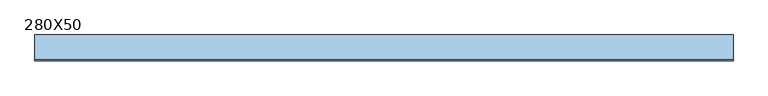
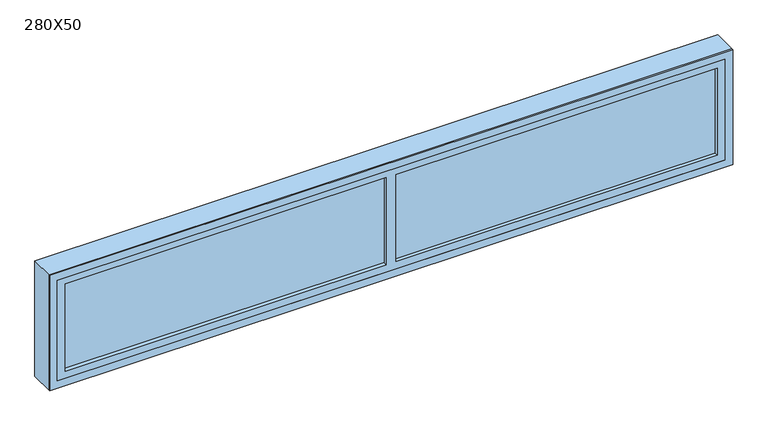
"""IFC4 building model written with IfcOpenShell, lengths in millimetres: window geometry, 280X50."""

import ifcopenshell
import ifcopenshell.guid

model = None  # the IFC model being written
_history = None  # IfcOwnerHistory: only IFC2X3 demands one
_inside = {}  # id of a spatial element -> (the spatial element, [elements in it])
_under = {}  # id of a project, library or spatial element -> (it, [spatial elements below it])
_declared = {}  # id of a project -> (the project, [libraries it declares])
_typed = {}  # id of a type object -> (the type object, [elements of that type])
_made_of = {}  # id of a material, layer set ... -> (it, [elements and type objects made of it])


def new_model(schema):
    """Start an empty IFC model of exactly this schema.

    Asked for "IFC4X3", IfcOpenShell would pick the latest addendum, in which some entities
    have other attributes; the version numbers below select the first issue.
    IFC2X3 requires an IfcOwnerHistory on every rooted entity: one is made here for all.
    """
    global model, _history
    if schema == "IFC4X3":
        model = ifcopenshell.file(schema_version=(4, 3, 0, 0))
    else:
        model = ifcopenshell.file(schema=schema)
    _inside.clear()
    _under.clear()
    _declared.clear()
    _typed.clear()
    _made_of.clear()
    _history = None
    if model.schema == "IFC2X3":
        org = make("IfcOrganization", Name="unknown")
        user = make(
            "IfcPersonAndOrganization",
            ThePerson=make("IfcPerson", FamilyName="unknown"),
            TheOrganization=org,
        )
        app = make(
            "IfcApplication",
            ApplicationDeveloper=org,
            Version="unknown",
            ApplicationFullName="unknown",
            ApplicationIdentifier="unknown",
        )
        _history = make(
            "IfcOwnerHistory",
            OwningUser=user,
            OwningApplication=app,
            ChangeAction="ADDED",
            CreationDate=0,
        )
    return model


def make(cls, **values):
    """One entity of the class cls with the attributes given. An attribute that is None is left unset."""
    return model.create_entity(
        cls, **{name: value for name, value in values.items() if value is not None}
    )


def rooted(cls, **values):
    """An entity with a GlobalId (a new one), such as an element, a storey or a relation."""
    return make(cls, GlobalId=ifcopenshell.guid.new(), OwnerHistory=_history, **values)


def si_unit(unit_type, name, prefix=None):
    """IfcSIUnit, for example si_unit("LENGTHUNIT", "METRE", prefix="MILLI")."""
    return make("IfcSIUnit", UnitType=unit_type, Prefix=prefix, Name=name)


def assignment(units):
    """IfcUnitAssignment: the units of a project."""
    return None if units is None else make("IfcUnitAssignment", Units=units)


def point(xyz):
    """IfcCartesianPoint."""
    return None if xyz is None else make("IfcCartesianPoint", Coordinates=xyz)


def direction(xyz):
    """IfcDirection."""
    return None if xyz is None else make("IfcDirection", DirectionRatios=xyz)


def frame(location, z_axis=None, x_axis=None):
    """IfcAxis2Placement3D, a coordinate frame: its origin and axes. An axis left out is left unset."""
    return make(
        "IfcAxis2Placement3D",
        Location=point(location),
        Axis=direction(z_axis),
        RefDirection=direction(x_axis),
    )


def origin():
    """The frame at (0, 0, 0) with its axes left unset."""
    return frame((0.0, 0.0, 0.0))


def place(relative_to, where):
    """IfcLocalPlacement: puts the frame where relative to a parent placement (None: the world)."""
    return make(
        "IfcLocalPlacement", PlacementRelTo=relative_to, RelativePlacement=where
    )


def context(
    kind, dimensions, precision=None, world=None, true_north=None, identifier=None
):
    """IfcGeometricRepresentationContext, for example the 3D "Model" context."""
    return make(
        "IfcGeometricRepresentationContext",
        ContextIdentifier=identifier,
        ContextType=kind,
        CoordinateSpaceDimension=dimensions,
        Precision=precision,
        WorldCoordinateSystem=world,
        TrueNorth=true_north,
    )


def project(units=None, contexts=None):
    """IfcProject with its units and contexts."""
    return rooted(
        "IfcProject",
        Name="project",
        RepresentationContexts=contexts,
        UnitsInContext=assignment(units),
    )


def spatial(cls, under=None, at=None, **own):
    """A site, building, storey or space (cls), placed at a placement, below another one or the project."""
    s = rooted(cls, ObjectPlacement=at, **own)
    if under is not None:
        _under.setdefault(under.id(), (under, []))[1].append(s)
    return s


def polyline(points):
    """IfcPolyline through the points."""
    return make("IfcPolyline", Points=[point(p) for p in points])


def outline(outer, holes=None, kind="AREA"):
    """IfcArbitraryClosedProfileDef: a profile drawn as a closed curve; with holes, ...WithVoids."""
    if holes is None:
        return make("IfcArbitraryClosedProfileDef", ProfileType=kind, OuterCurve=outer)
    return make(
        "IfcArbitraryProfileDefWithVoids",
        ProfileType=kind,
        OuterCurve=outer,
        InnerCurves=holes,
    )


def extrude(swept, where, along, depth):
    """IfcExtrudedAreaSolid: the profile swept, set in the frame where, extruded along a direction by depth."""
    return make(
        "IfcExtrudedAreaSolid",
        SweptArea=swept,
        Position=where,
        ExtrudedDirection=direction(along),
        Depth=depth,
    )


def faces_of(points, faces, orient=None, outer=None):
    """IfcFace entities. A face is a list of loops; a loop is a list of indices into points, from 0.

    orient and outer hold one flag for each loop. By default every Orientation is true, the
    first loop of a face is its IfcFaceOuterBound and the others are IfcFaceBound.
    """
    made = []
    for i, loops in enumerate(faces):
        bounds = []
        for j, loop in enumerate(loops):
            is_outer = j == 0 if outer is None else outer[i][j]
            bounds.append(
                make(
                    "IfcFaceOuterBound" if is_outer else "IfcFaceBound",
                    Bound=make("IfcPolyLoop", Polygon=[points[k] for k in loop]),
                    Orientation=True if orient is None else orient[i][j],
                )
            )
        made.append(make("IfcFace", Bounds=bounds))
    return made


def faceted_brep(points, faces, orient=None, outer=None, voids=None):
    """IfcFacetedBrep: a solid bounded by flat faces; with voids (closed shells), ...WithVoids."""
    shared = [point(p) for p in points]
    hull = make("IfcClosedShell", CfsFaces=faces_of(shared, faces, orient, outer))
    if voids is None:
        return make("IfcFacetedBrep", Outer=hull)
    return make(
        "IfcFacetedBrepWithVoids",
        Outer=hull,
        Voids=[
            make(cls, CfsFaces=faces_of(shared, fs, o, b)) for cls, fs, o, b in voids
        ],
    )


def shape(context_of_items, identifier, shape_type, items):
    """IfcShapeRepresentation: the items that make up one representation, for example the "Body"."""
    return make(
        "IfcShapeRepresentation",
        ContextOfItems=context_of_items,
        RepresentationIdentifier=identifier,
        RepresentationType=shape_type,
        Items=items,
    )


def source(mapping_origin, context_of_items, identifier, shape_type, items):
    """IfcRepresentationMap: a shape defined once, which mapped items show again and again."""
    return make(
        "IfcRepresentationMap",
        MappingOrigin=mapping_origin,
        MappedRepresentation=shape(context_of_items, identifier, shape_type, items),
    )


def transform(
    local_origin,
    x_axis=None,
    y_axis=None,
    z_axis=None,
    scale=None,
    scale2=None,
    scale3=None,
    uniform=True,
):
    """IfcCartesianTransformationOperator3D, or its non-uniform kind. x_axis, y_axis, z_axis: its Axis1, 2, 3."""
    if uniform:
        return make(
            "IfcCartesianTransformationOperator3D",
            Axis1=direction(x_axis),
            Axis2=direction(y_axis),
            LocalOrigin=point(local_origin),
            Scale=scale,
            Axis3=direction(z_axis),
        )
    return make(
        "IfcCartesianTransformationOperator3DnonUniform",
        Axis1=direction(x_axis),
        Axis2=direction(y_axis),
        LocalOrigin=point(local_origin),
        Scale=scale,
        Axis3=direction(z_axis),
        Scale2=scale2,
        Scale3=scale3,
    )


def mapped(mapping_source, mapping_target):
    """IfcMappedItem: shows the shape of a source again, moved by a transform."""
    return make(
        "IfcMappedItem", MappingSource=mapping_source, MappingTarget=mapping_target
    )


def made_of(thing, what):
    """Note that an element or type object is made of a material, layer set ...; save() writes the relation."""
    if what is not None:
        _made_of.setdefault(what.id(), (what, []))[1].append(thing)
    return thing


def element(
    cls,
    number,
    at=None,
    inside=None,
    cuts=None,
    type_object=None,
    material=None,
    context=None,
    identifier="Body",
    shape_type=None,
    held_by="IfcProductDefinitionShape",
    body=None,
    shapes=None,
    **own,
):
    """One element of the class cls, such as IfcWall. Its Tag is "e" and its number.

    at: its placement. inside: the storey or other place that contains it. cuts: it is an
    opening in that element (IfcRelVoidsElement). A single representation is given by context,
    identifier, shape_type and body (its items); several are given by shapes. held_by: the class
    of the entity that holds the representations. save() writes the other relations.
    """
    e = rooted(cls, Tag="e%d" % number, ObjectPlacement=at, **own)
    if body is not None:
        shapes = [shape(context, identifier, shape_type, body)]
    if shapes is not None:
        e.Representation = make(held_by, Representations=shapes)
    if inside is not None:
        _inside.setdefault(inside.id(), (inside, []))[1].append(e)
    if cuts is not None:
        rooted(
            "IfcRelVoidsElement", RelatingBuildingElement=cuts, RelatedOpeningElement=e
        )
    if type_object is not None:
        _typed.setdefault(type_object.id(), (type_object, []))[1].append(e)
    return made_of(e, material)


def aggregate(whole, parts):
    """IfcRelAggregates: a whole, such as a stair, and the parts it consists of."""
    return rooted("IfcRelAggregates", RelatingObject=whole, RelatedObjects=parts)


def save(model, path):
    """Write the relations noted so far, then the file.

    IfcRelAggregates (storeys below a building ...), IfcRelContainedInSpatialStructure (elements
    in a storey), IfcRelDefinesByType, IfcRelAssociatesMaterial and IfcRelDeclares: one each for
    every whole, place, type object, material and project.
    """
    for whole, parts in _under.values():
        aggregate(whole, parts)
    for where, things in _inside.values():
        rooted(
            "IfcRelContainedInSpatialStructure",
            RelatedElements=things,
            RelatingStructure=where,
        )
    for kind, things in _typed.values():
        rooted("IfcRelDefinesByType", RelatedObjects=things, RelatingType=kind)
    for what, things in _made_of.values():
        rooted("IfcRelAssociatesMaterial", RelatedObjects=things, RelatingMaterial=what)
    for by, libraries in _declared.values():
        rooted("IfcRelDeclares", RelatingContext=by, RelatedDefinitions=libraries)
    model.write(path)


def window_280x50_554eb5f4(model_context):
    return source(origin(), model_context, "Body", "SolidModel", [
        extrude(outline(polyline([(1298.4, -38.575), (-1374.6, -38.575), (-1374.6, -25.875), (1298.4, -25.875), (1298.4, -38.575)])), frame((0.0, 0.0, 977.9), z_axis=(0.0, 0.0, 1.0), x_axis=(1.0, 0.0, 0.0)), (0.0, 0.0, 1.0), 377.45),
        extrude(outline(polyline([(1414.4, -1438.1), (914.4, -1438.1), (914.4, 1361.9), (1414.4, 1361.9), (1414.4, -1438.1)]), holes=[polyline([(1382.65, -1406.35), (1382.65, 1330.15), (946.15, 1330.15), (946.15, -1406.35), (1382.65, -1406.35)])]), frame((0.0, -54.45, 0.0), z_axis=(0.0, 1.0, 0.0), x_axis=(0.0, 0.0, 1.0)), (0.0, 0.0, 1.0), 4.45),
        faceted_brep([(1342.85, -10.0, 1395.35), (1342.85, -10.0, 933.45), (-1419.05, -10.0, 933.45), (-1419.05, -10.0, 1395.35), (-58.1, -10.0, 1395.35), (-18.1, -10.0, 1395.35), (-1374.6, -10.0, 1355.35), (-1374.6, -10.0, 977.9), (-58.1, -10.0, 977.9), (-58.1, -10.0, 1355.35), (1298.4, -10.0, 977.9), (1298.4, -10.0, 1355.35), (-18.1, -10.0, 1355.35), (-18.1, -10.0, 977.9), (-1374.6, -54.45, 1355.35), (-1374.6, -54.45, 977.9), (-58.1, -54.45, 977.9), (1298.4, -54.45, 977.9), (-18.1, -54.45, 977.9), (-58.1, -54.45, 1355.35), (1298.4, -54.45, 1355.35), (-18.1, -54.45, 1355.35), (1342.85, 50.0, 1395.35), (1342.85, 50.0, 933.45), (-1419.05, 50.0, 933.45), (-1419.05, 50.0, 1395.35), (1361.9, -54.45, 1414.4), (-1438.1, -54.45, 1414.4), (-1438.1, -54.45, 914.4), (1361.9, -54.45, 914.4), (-1438.1, 50.0, 1414.4), (-1438.1, 50.0, 914.4), (1361.9, 50.0, 914.4), (1361.9, 50.0, 1414.4)], [[[0, 1, 2, 3, 4, 5], [6, 7, 8, 9], [10, 11, 12, 13]], [[7, 6, 14, 15]], [[7, 15, 16, 8]], [[17, 10, 13, 18]], [[9, 8, 16, 19]], [[11, 10, 17, 20]], [[21, 18, 13, 12]], [[22, 23, 1, 0]], [[23, 24, 2, 1]], [[24, 25, 3, 2]], [[26, 27, 28, 29], [15, 14, 19, 16], [20, 17, 18, 21]], [[28, 27, 30, 31]], [[29, 28, 31, 32]], [[26, 29, 32, 33]], [[33, 32, 31, 30], [22, 25, 24, 23]], [[26, 33, 30, 27]], [[14, 6, 9, 19]], [[11, 20, 21, 12]], [[25, 22, 0, 5, 4, 3]]]),
    ])


if __name__ == "__main__":
    model = new_model("IFC4")
    model_context = context("Model", 3, world=origin())
    ifc_project = project(units=[si_unit("LENGTHUNIT", "METRE", prefix="MILLI")], contexts=[model_context])
    site = spatial("IfcSite", under=ifc_project)
    building = spatial("IfcBuilding", under=site)
    placement = place(None, origin())
    window_280x50_shape = window_280x50_554eb5f4(model_context)
    element("IfcWindow", 1, ObjectType="280X50", at=placement, inside=building, context=model_context, shape_type="MappedRepresentation", body=[
        mapped(window_280x50_shape, transform((0.0, 0.0, 0.0), x_axis=(1.0, 0.0, 0.0), y_axis=(0.0, 1.0, 0.0), z_axis=(0.0, 0.0, 1.0))),
    ])
    save(model, "model.ifc")
